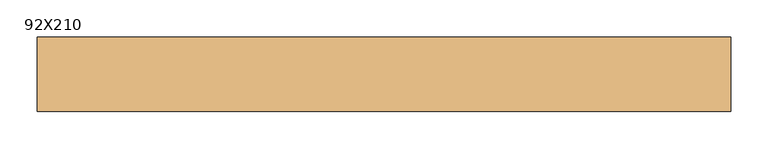
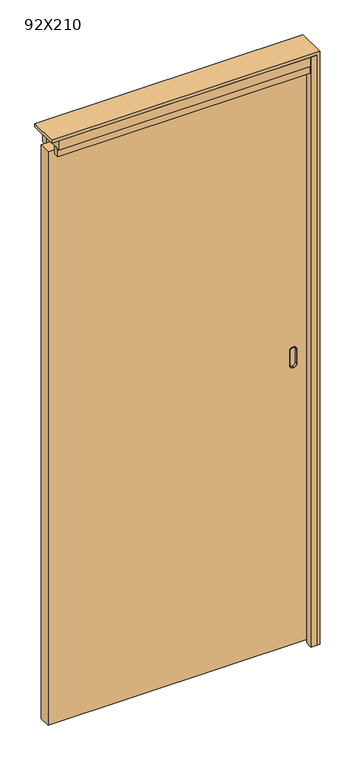
"""IFC4 building model written with IfcOpenShell, lengths in millimetres: door geometry, 92X210."""

from ifc_helpers import new_model, si_unit, point, frame, frame_2d, origin, origin_with_axes, place, context, project, spatial, polyline, circle_curve, trimmed, segment, composite_curve, outline, extrude, source, transform, mapped, element, save
from ifc_brep_helpers import plane_surface, cylinder_surface, revolved_surface, advanced_brep


def door_92x210_3dcc487c(model_context):
    return source(origin(), model_context, "Body", "SolidModel", [
        advanced_brep(
        [(394.5, -12.0, 1095.5), (395.5, -12.0, 1095.5), (406.5, -12.0, 1084.5), (406.5, -12.0, 1033.5), (395.5, -12.0, 1022.5), (394.5, -12.0, 1022.5), (383.5, -12.0, 1033.5), (383.5, -12.0, 1084.5), (394.5, -22.0, 1021.5), (395.5, -22.0, 1021.5), (407.5, -22.0, 1033.5), (407.5, -22.0, 1084.5), (395.5, -22.0, 1096.5), (394.5, -22.0, 1096.5), (382.5, -22.0, 1084.5), (382.5, -22.0, 1033.5), (394.5, -22.0, 1094.5), (395.5, -22.0, 1094.5), (405.5, -22.0, 1084.5), (405.5, -22.0, 1033.5), (395.5, -22.0, 1023.5), (394.5, -22.0, 1023.5), (384.5, -22.0, 1033.5), (384.5, -22.0, 1084.5), (383.5, -20.0, 1084.5), (394.5, -20.0, 1095.5), (383.5, -20.0, 1033.5), (394.5, -20.0, 1022.5), (395.5, -20.0, 1022.5), (406.5, -20.0, 1033.5), (406.5, -20.0, 1084.5), (395.5, -20.0, 1095.5), (394.5, -20.0, 1021.5), (382.5, -20.0, 1033.5), (382.5, -20.0, 1084.5), (394.5, -20.0, 1096.5), (395.5, -20.0, 1096.5), (407.5, -20.0, 1084.5), (407.5, -20.0, 1033.5), (395.5, -20.0, 1021.5), (394.5, -13.0, 1094.5), (384.5, -13.0, 1084.5), (384.5, -13.0, 1033.5), (394.5, -13.0, 1023.5), (395.5, -13.0, 1023.5), (405.5, -13.0, 1033.5), (405.5, -13.0, 1084.5), (395.5, -13.0, 1094.5)],
        [
            (0, 1),
            (1, 2, circle_curve(frame((395.5, -12.0, 1084.5), z_axis=(0.0, 1.0, 0.0), x_axis=(-1.0, 0.0, 0.0)), 11.0)),
            (2, 3),
            (3, 4, circle_curve(frame((395.5, -12.0, 1033.5), z_axis=(0.0, 1.0, 0.0), x_axis=(-1.0, 0.0, 0.0)), 11.0)),
            (4, 5),
            (5, 6, circle_curve(frame((394.5, -12.0, 1033.5), z_axis=(0.0, 1.0, 0.0), x_axis=(-1.0, 0.0, 0.0)), 11.0)),
            (6, 7),
            (7, 0, circle_curve(frame((394.5, -12.0, 1084.5), z_axis=(0.0, 1.0, 0.0), x_axis=(-1.0, 0.0, 0.0)), 11.0)),
            (8, 9),
            (9, 10, circle_curve(frame((395.5, -22.0, 1033.5), z_axis=(0.0, -1.0, 0.0), x_axis=(-1.0, 0.0, 0.0)), 12.0)),
            (10, 11),
            (11, 12, circle_curve(frame((395.5, -22.0, 1084.5), z_axis=(0.0, -1.0, 0.0), x_axis=(-1.0, 0.0, 0.0)), 12.0)),
            (12, 13),
            (13, 14, circle_curve(frame((394.5, -22.0, 1084.5), z_axis=(0.0, -1.0, 0.0), x_axis=(-1.0, 0.0, 0.0)), 12.0)),
            (14, 15),
            (15, 8, circle_curve(frame((394.5, -22.0, 1033.5), z_axis=(0.0, -1.0, 0.0), x_axis=(-1.0, 0.0, 0.0)), 12.0)),
            (16, 17),
            (17, 18, circle_curve(frame((395.5, -22.0, 1084.5), z_axis=(0.0, 1.0, 0.0), x_axis=(-1.0, 0.0, 0.0)), 10.0)),
            (18, 19),
            (19, 20, circle_curve(frame((395.5, -22.0, 1033.5), z_axis=(0.0, 1.0, 0.0), x_axis=(-1.0, 0.0, 0.0)), 10.0)),
            (20, 21),
            (21, 22, circle_curve(frame((394.5, -22.0, 1033.5), z_axis=(0.0, 1.0, 0.0), x_axis=(-1.0, 0.0, 0.0)), 10.0)),
            (22, 23),
            (23, 16, circle_curve(frame((394.5, -22.0, 1084.5), z_axis=(0.0, 1.0, 0.0), x_axis=(-1.0, 0.0, 0.0)), 10.0)),
            (7, 24),
            (24, 25, circle_curve(frame((394.5, -20.0, 1084.5), z_axis=(0.0, 1.0, 0.0), x_axis=(-1.0, 0.0, 0.0)), 11.0)),
            (25, 0),
            (6, 26),
            (26, 24),
            (5, 27),
            (27, 26, circle_curve(frame((394.5, -20.0, 1033.5), z_axis=(0.0, 1.0, 0.0), x_axis=(-1.0, 0.0, 0.0)), 11.0)),
            (4, 28),
            (28, 27),
            (3, 29),
            (29, 28, circle_curve(frame((395.5, -20.0, 1033.5), z_axis=(0.0, 1.0, 0.0), x_axis=(-1.0, 0.0, 0.0)), 11.0)),
            (2, 30),
            (30, 29),
            (1, 31),
            (31, 30, circle_curve(frame((395.5, -20.0, 1084.5), z_axis=(0.0, 1.0, 0.0), x_axis=(-1.0, 0.0, 0.0)), 11.0)),
            (25, 31),
            (32, 33, circle_curve(frame((394.5, -20.0, 1033.5), z_axis=(0.0, 1.0, 0.0), x_axis=(-1.0, 0.0, 0.0)), 12.0)),
            (33, 34),
            (34, 35, circle_curve(frame((394.5, -20.0, 1084.5), z_axis=(0.0, 1.0, 0.0), x_axis=(-1.0, 0.0, 0.0)), 12.0)),
            (35, 36),
            (36, 37, circle_curve(frame((395.5, -20.0, 1084.5), z_axis=(0.0, 1.0, 0.0), x_axis=(-1.0, 0.0, 0.0)), 12.0)),
            (37, 38),
            (38, 39, circle_curve(frame((395.5, -20.0, 1033.5), z_axis=(0.0, 1.0, 0.0), x_axis=(-1.0, 0.0, 0.0)), 12.0)),
            (39, 32),
            (39, 9),
            (8, 32),
            (38, 10),
            (37, 11),
            (36, 12),
            (35, 13),
            (34, 14),
            (33, 15),
            (40, 41, circle_curve(frame((394.5, -13.0, 1084.5), z_axis=(0.0, -1.0, 0.0), x_axis=(-1.0, 0.0, 0.0)), 10.0)),
            (41, 42),
            (42, 43, circle_curve(frame((394.5, -13.0, 1033.5), z_axis=(0.0, -1.0, 0.0), x_axis=(-1.0, 0.0, 0.0)), 10.0)),
            (43, 44),
            (44, 45, circle_curve(frame((395.5, -13.0, 1033.5), z_axis=(0.0, -1.0, 0.0), x_axis=(-1.0, 0.0, 0.0)), 10.0)),
            (45, 46),
            (46, 47, circle_curve(frame((395.5, -13.0, 1084.5), z_axis=(0.0, -1.0, 0.0), x_axis=(-1.0, 0.0, 0.0)), 10.0)),
            (47, 40),
            (40, 16),
            (23, 41),
            (22, 42),
            (21, 43),
            (20, 44),
            (19, 45),
            (18, 46),
            (17, 47),
        ],
        [
            plane_surface(frame((383.5, -12.0, 1084.5), z_axis=(0.0, 1.0, 0.0), x_axis=(0.0, 0.0, -1.0))),
            plane_surface(frame((383.5, -22.0, 1084.5), z_axis=(0.0, -1.0, 0.0), x_axis=(0.0, 0.0, 1.0))),
            cylinder_surface(frame((394.5, -22.0, 1084.5), z_axis=(0.0, 1.0, 0.0), x_axis=(-1.0, 0.0, 0.0)), 11.0),
            plane_surface(frame((383.5, -12.0, 1084.5), z_axis=(-1.0, 0.0, 0.0), x_axis=(0.0, -1.0, 0.0))),
            cylinder_surface(frame((394.5, -22.0, 1033.5), z_axis=(0.0, 1.0, 0.0), x_axis=(-1.0, 0.0, 0.0)), 11.0),
            plane_surface(frame((394.5, -12.0, 1022.5), z_axis=(0.0, 0.0, -1.0), x_axis=(0.0, -1.0, 0.0))),
            cylinder_surface(frame((395.5, -22.0, 1033.5), z_axis=(0.0, 1.0, 0.0), x_axis=(-1.0, 0.0, 0.0)), 11.0),
            plane_surface(frame((406.5, -12.0, 1033.5), z_axis=(1.0, 0.0, 0.0), x_axis=(0.0, -1.0, 0.0))),
            cylinder_surface(frame((395.5, -22.0, 1084.5), z_axis=(0.0, 1.0, 0.0), x_axis=(-1.0, 0.0, 0.0)), 11.0),
            plane_surface(frame((395.5, -12.0, 1095.5), z_axis=(0.0, 0.0, 1.0), x_axis=(0.0, -1.0, 0.0))),
            plane_surface(frame((407.5, -20.0, 1021.5), z_axis=(0.0, 1.0, 0.0), x_axis=(1.0, 0.0, 0.0))),
            plane_surface(frame((394.5, -20.0, 1021.5), z_axis=(0.0, 0.0, -1.0), x_axis=(0.0, -1.0, 0.0))),
            cylinder_surface(frame((395.5, -22.0, 1033.5), z_axis=(0.0, 1.0, 0.0), x_axis=(-1.0, 0.0, 0.0)), 12.0),
            plane_surface(frame((407.5, -20.0, 1033.5), z_axis=(1.0, 0.0, 0.0), x_axis=(0.0, -1.0, 0.0))),
            cylinder_surface(frame((395.5, -22.0, 1084.5), z_axis=(0.0, 1.0, 0.0), x_axis=(-1.0, 0.0, 0.0)), 12.0),
            plane_surface(frame((395.5, -20.0, 1096.5), z_axis=(0.0, 0.0, 1.0), x_axis=(0.0, -1.0, 0.0))),
            cylinder_surface(frame((394.5, -22.0, 1084.5), z_axis=(0.0, 1.0, 0.0), x_axis=(-1.0, 0.0, 0.0)), 12.0),
            plane_surface(frame((382.5, -20.0, 1084.5), z_axis=(-1.0, 0.0, 0.0), x_axis=(0.0, -1.0, 0.0))),
            cylinder_surface(frame((394.5, -22.0, 1033.5), z_axis=(0.0, 1.0, 0.0), x_axis=(-1.0, 0.0, 0.0)), 12.0),
            plane_surface(frame((384.5, -13.0, 1084.5), z_axis=(0.0, -1.0, 0.0), x_axis=(0.0, 0.0, -1.0))),
            revolved_surface(polyline([(384.5, -13.0, 1084.5), (384.5, -22.0, 1084.5)]), (394.5, -22.0, 1084.5), (0.0, 1.0, 0.0)),
            plane_surface(frame((384.5, -13.0, 1084.5), z_axis=(1.0, 0.0, 0.0), x_axis=(0.0, -1.0, 0.0))),
            revolved_surface(polyline([(384.5, -13.0, 1033.5), (384.5, -22.0, 1033.5)]), (394.5, -22.0, 1033.5), (0.0, 1.0, 0.0)),
            plane_surface(frame((394.5, -13.0, 1023.5), z_axis=(0.0, 0.0, 1.0), x_axis=(0.0, -1.0, 0.0))),
            revolved_surface(polyline([(385.5, -13.0, 1033.5), (385.5, -22.0, 1033.5)]), (395.5, -22.0, 1033.5), (0.0, 1.0, 0.0)),
            plane_surface(frame((405.5, -13.0, 1033.5), z_axis=(-1.0, 0.0, 0.0), x_axis=(0.0, -1.0, 0.0))),
            revolved_surface(polyline([(385.5, -13.0, 1084.5), (385.5, -22.0, 1084.5)]), (395.5, -22.0, 1084.5), (0.0, 1.0, 0.0)),
            plane_surface(frame((395.5, -13.0, 1094.5), z_axis=(0.0, 0.0, -1.0), x_axis=(0.0, -1.0, 0.0))),
        ],
        [
            (0, [[1, 2, 3, 4, 5, 6, 7, 8]]),
            (1, [[9, 10, 11, 12, 13, 14, 15, 16], [17, 18, 19, 20, 21, 22, 23, 24]]),
            (2, [[25, 26, 27, -8]]),
            (3, [[28, 29, -25, -7]]),
            (4, [[30, 31, -28, -6]]),
            (5, [[32, 33, -30, -5]]),
            (6, [[34, 35, -32, -4]]),
            (7, [[36, 37, -34, -3]]),
            (8, [[38, 39, -36, -2]]),
            (9, [[-27, 40, -38, -1]]),
            (10, [[41, 42, 43, 44, 45, 46, 47, 48], [-29, -31, -33, -35, -37, -39, -40, -26]]),
            (11, [[49, -9, 50, -48]]),
            (12, [[51, -10, -49, -47]]),
            (13, [[52, -11, -51, -46]]),
            (14, [[53, -12, -52, -45]]),
            (15, [[54, -13, -53, -44]]),
            (16, [[55, -14, -54, -43]]),
            (17, [[56, -15, -55, -42]]),
            (18, [[-50, -16, -56, -41]]),
            (19, [[57, 58, 59, 60, 61, 62, 63, 64]]),
            (20, [[65, -24, 66, -57]]),
            (21, [[-66, -23, 67, -58]]),
            (22, [[-67, -22, 68, -59]]),
            (23, [[-68, -21, 69, -60]]),
            (24, [[-69, -20, 70, -61]]),
            (25, [[-70, -19, 71, -62]]),
            (26, [[-71, -18, 72, -63]]),
            (27, [[-72, -17, -65, -64]]),
        ],
    ),
        advanced_brep(
        [(394.5, 12.0, 1095.5), (383.5, 12.0, 1084.5), (383.5, 12.0, 1033.5), (394.5, 12.0, 1022.5), (395.5, 12.0, 1022.5), (406.5, 12.0, 1033.5), (406.5, 12.0, 1084.5), (395.5, 12.0, 1095.5), (394.5, 22.0, 1021.5), (382.5, 22.0, 1033.5), (382.5, 22.0, 1084.5), (394.5, 22.0, 1096.5), (395.5, 22.0, 1096.5), (407.5, 22.0, 1084.5), (407.5, 22.0, 1033.5), (395.5, 22.0, 1021.5), (394.5, 22.0, 1094.5), (384.5, 22.0, 1084.5), (384.5, 22.0, 1033.5), (394.5, 22.0, 1023.5), (395.5, 22.0, 1023.5), (405.5, 22.0, 1033.5), (405.5, 22.0, 1084.5), (395.5, 22.0, 1094.5), (394.5, 20.0, 1095.5), (383.5, 20.0, 1084.5), (383.5, 20.0, 1033.5), (394.5, 20.0, 1022.5), (395.5, 20.0, 1022.5), (406.5, 20.0, 1033.5), (406.5, 20.0, 1084.5), (395.5, 20.0, 1095.5), (394.5, 20.0, 1021.5), (395.5, 20.0, 1021.5), (407.5, 20.0, 1033.5), (407.5, 20.0, 1084.5), (395.5, 20.0, 1096.5), (394.5, 20.0, 1096.5), (382.5, 20.0, 1084.5), (382.5, 20.0, 1033.5), (394.5, 13.0, 1094.5), (395.5, 13.0, 1094.5), (405.5, 13.0, 1084.5), (405.5, 13.0, 1033.5), (395.5, 13.0, 1023.5), (394.5, 13.0, 1023.5), (384.5, 13.0, 1033.5), (384.5, 13.0, 1084.5)],
        [
            (0, 1, circle_curve(frame((394.5, 12.0, 1084.5), z_axis=(0.0, -1.0, 0.0), x_axis=(-1.0, 0.0, 0.0)), 11.0)),
            (1, 2),
            (2, 3, circle_curve(frame((394.5, 12.0, 1033.5), z_axis=(0.0, -1.0, 0.0), x_axis=(-1.0, 0.0, 0.0)), 11.0)),
            (3, 4),
            (4, 5, circle_curve(frame((395.5, 12.0, 1033.5), z_axis=(0.0, -1.0, 0.0), x_axis=(-1.0, 0.0, 0.0)), 11.0)),
            (5, 6),
            (6, 7, circle_curve(frame((395.5, 12.0, 1084.5), z_axis=(0.0, -1.0, 0.0), x_axis=(-1.0, 0.0, 0.0)), 11.0)),
            (7, 0),
            (8, 9, circle_curve(frame((394.5, 22.0, 1033.5), z_axis=(0.0, 1.0, 0.0), x_axis=(-1.0, 0.0, 0.0)), 12.0)),
            (9, 10),
            (10, 11, circle_curve(frame((394.5, 22.0, 1084.5), z_axis=(0.0, 1.0, 0.0), x_axis=(-1.0, 0.0, 0.0)), 12.0)),
            (11, 12),
            (12, 13, circle_curve(frame((395.5, 22.0, 1084.5), z_axis=(0.0, 1.0, 0.0), x_axis=(-1.0, 0.0, 0.0)), 12.0)),
            (13, 14),
            (14, 15, circle_curve(frame((395.5, 22.0, 1033.5), z_axis=(0.0, 1.0, 0.0), x_axis=(-1.0, 0.0, 0.0)), 12.0)),
            (15, 8),
            (16, 17, circle_curve(frame((394.5, 22.0, 1084.5), z_axis=(0.0, -1.0, 0.0), x_axis=(-1.0, 0.0, 0.0)), 10.0)),
            (17, 18),
            (18, 19, circle_curve(frame((394.5, 22.0, 1033.5), z_axis=(0.0, -1.0, 0.0), x_axis=(-1.0, 0.0, 0.0)), 10.0)),
            (19, 20),
            (20, 21, circle_curve(frame((395.5, 22.0, 1033.5), z_axis=(0.0, -1.0, 0.0), x_axis=(-1.0, 0.0, 0.0)), 10.0)),
            (21, 22),
            (22, 23, circle_curve(frame((395.5, 22.0, 1084.5), z_axis=(0.0, -1.0, 0.0), x_axis=(-1.0, 0.0, 0.0)), 10.0)),
            (23, 16),
            (0, 24),
            (24, 25, circle_curve(frame((394.5, 20.0, 1084.5), z_axis=(0.0, -1.0, 0.0), x_axis=(-1.0, 0.0, 0.0)), 11.0)),
            (25, 1),
            (25, 26),
            (26, 2),
            (26, 27, circle_curve(frame((394.5, 20.0, 1033.5), z_axis=(0.0, -1.0, 0.0), x_axis=(-1.0, 0.0, 0.0)), 11.0)),
            (27, 3),
            (27, 28),
            (28, 4),
            (28, 29, circle_curve(frame((395.5, 20.0, 1033.5), z_axis=(0.0, -1.0, 0.0), x_axis=(-1.0, 0.0, 0.0)), 11.0)),
            (29, 5),
            (29, 30),
            (30, 6),
            (30, 31, circle_curve(frame((395.5, 20.0, 1084.5), z_axis=(0.0, -1.0, 0.0), x_axis=(-1.0, 0.0, 0.0)), 11.0)),
            (31, 7),
            (31, 24),
            (32, 33),
            (33, 34, circle_curve(frame((395.5, 20.0, 1033.5), z_axis=(0.0, -1.0, 0.0), x_axis=(-1.0, 0.0, 0.0)), 12.0)),
            (34, 35),
            (35, 36, circle_curve(frame((395.5, 20.0, 1084.5), z_axis=(0.0, -1.0, 0.0), x_axis=(-1.0, 0.0, 0.0)), 12.0)),
            (36, 37),
            (37, 38, circle_curve(frame((394.5, 20.0, 1084.5), z_axis=(0.0, -1.0, 0.0), x_axis=(-1.0, 0.0, 0.0)), 12.0)),
            (38, 39),
            (39, 32, circle_curve(frame((394.5, 20.0, 1033.5), z_axis=(0.0, -1.0, 0.0), x_axis=(-1.0, 0.0, 0.0)), 12.0)),
            (32, 8),
            (15, 33),
            (14, 34),
            (13, 35),
            (12, 36),
            (11, 37),
            (10, 38),
            (9, 39),
            (40, 41),
            (41, 42, circle_curve(frame((395.5, 13.0, 1084.5), z_axis=(0.0, 1.0, 0.0), x_axis=(-1.0, 0.0, 0.0)), 10.0)),
            (42, 43),
            (43, 44, circle_curve(frame((395.5, 13.0, 1033.5), z_axis=(0.0, 1.0, 0.0), x_axis=(-1.0, 0.0, 0.0)), 10.0)),
            (44, 45),
            (45, 46, circle_curve(frame((394.5, 13.0, 1033.5), z_axis=(0.0, 1.0, 0.0), x_axis=(-1.0, 0.0, 0.0)), 10.0)),
            (46, 47),
            (47, 40, circle_curve(frame((394.5, 13.0, 1084.5), z_axis=(0.0, 1.0, 0.0), x_axis=(-1.0, 0.0, 0.0)), 10.0)),
            (47, 17),
            (16, 40),
            (46, 18),
            (45, 19),
            (44, 20),
            (43, 21),
            (42, 22),
            (41, 23),
        ],
        [
            plane_surface(frame((383.5, 12.0, 1084.5), z_axis=(0.0, -1.0, 0.0), x_axis=(0.0, 0.0, -1.0))),
            plane_surface(frame((383.5, 22.0, 1084.5), z_axis=(0.0, 1.0, 0.0), x_axis=(0.0, 0.0, 1.0))),
            cylinder_surface(frame((394.5, 22.0, 1084.5), z_axis=(0.0, -1.0, 0.0), x_axis=(-1.0, 0.0, 0.0)), 11.0),
            plane_surface(frame((383.5, 12.0, 1084.5), z_axis=(-1.0, 0.0, 0.0), x_axis=(0.0, 1.0, 0.0))),
            cylinder_surface(frame((394.5, 22.0, 1033.5), z_axis=(0.0, -1.0, 0.0), x_axis=(-1.0, 0.0, 0.0)), 11.0),
            plane_surface(frame((394.5, 12.0, 1022.5), z_axis=(0.0, 0.0, -1.0), x_axis=(0.0, 1.0, 0.0))),
            cylinder_surface(frame((395.5, 22.0, 1033.5), z_axis=(0.0, -1.0, 0.0), x_axis=(-1.0, 0.0, 0.0)), 11.0),
            plane_surface(frame((406.5, 12.0, 1033.5), z_axis=(1.0, 0.0, 0.0), x_axis=(0.0, 1.0, 0.0))),
            cylinder_surface(frame((395.5, 22.0, 1084.5), z_axis=(0.0, -1.0, 0.0), x_axis=(-1.0, 0.0, 0.0)), 11.0),
            plane_surface(frame((395.5, 12.0, 1095.5), z_axis=(0.0, 0.0, 1.0), x_axis=(0.0, 1.0, 0.0))),
            plane_surface(frame((407.5, 20.0, 1021.5), z_axis=(0.0, -1.0, 0.0), x_axis=(1.0, 0.0, 0.0))),
            plane_surface(frame((394.5, 20.0, 1021.5), z_axis=(0.0, 0.0, -1.0), x_axis=(0.0, 1.0, 0.0))),
            cylinder_surface(frame((395.5, 22.0, 1033.5), z_axis=(0.0, -1.0, 0.0), x_axis=(-1.0, 0.0, 0.0)), 12.0),
            plane_surface(frame((407.5, 20.0, 1033.5), z_axis=(1.0, 0.0, 0.0), x_axis=(0.0, 1.0, 0.0))),
            cylinder_surface(frame((395.5, 22.0, 1084.5), z_axis=(0.0, -1.0, 0.0), x_axis=(-1.0, 0.0, 0.0)), 12.0),
            plane_surface(frame((395.5, 20.0, 1096.5), z_axis=(0.0, 0.0, 1.0), x_axis=(0.0, 1.0, 0.0))),
            cylinder_surface(frame((394.5, 22.0, 1084.5), z_axis=(0.0, -1.0, 0.0), x_axis=(-1.0, 0.0, 0.0)), 12.0),
            plane_surface(frame((382.5, 20.0, 1084.5), z_axis=(-1.0, 0.0, 0.0), x_axis=(0.0, 1.0, 0.0))),
            cylinder_surface(frame((394.5, 22.0, 1033.5), z_axis=(0.0, -1.0, 0.0), x_axis=(-1.0, 0.0, 0.0)), 12.0),
            plane_surface(frame((384.5, 13.0, 1084.5), z_axis=(0.0, 1.0, 0.0), x_axis=(0.0, 0.0, -1.0))),
            revolved_surface(polyline([(384.5, 13.0, 1084.5), (384.5, 22.0, 1084.5)]), (394.5, 22.0, 1084.5), (0.0, -1.0, 0.0)),
            plane_surface(frame((384.5, 13.0, 1084.5), z_axis=(1.0, 0.0, 0.0), x_axis=(0.0, 1.0, 0.0))),
            revolved_surface(polyline([(384.5, 13.0, 1033.5), (384.5, 22.0, 1033.5)]), (394.5, 22.0, 1033.5), (0.0, -1.0, 0.0)),
            plane_surface(frame((394.5, 13.0, 1023.5), z_axis=(0.0, 0.0, 1.0), x_axis=(0.0, 1.0, 0.0))),
            revolved_surface(polyline([(385.5, 13.0, 1033.5), (385.5, 22.0, 1033.5)]), (395.5, 22.0, 1033.5), (0.0, -1.0, 0.0)),
            plane_surface(frame((405.5, 13.0, 1033.5), z_axis=(-1.0, 0.0, 0.0), x_axis=(0.0, 1.0, 0.0))),
            revolved_surface(polyline([(385.5, 13.0, 1084.5), (385.5, 22.0, 1084.5)]), (395.5, 22.0, 1084.5), (0.0, -1.0, 0.0)),
            plane_surface(frame((395.5, 13.0, 1094.5), z_axis=(0.0, 0.0, -1.0), x_axis=(0.0, 1.0, 0.0))),
        ],
        [
            (0, [[1, 2, 3, 4, 5, 6, 7, 8]]),
            (1, [[9, 10, 11, 12, 13, 14, 15, 16], [17, 18, 19, 20, 21, 22, 23, 24]]),
            (2, [[-1, 25, 26, 27]]),
            (3, [[-2, -27, 28, 29]]),
            (4, [[-3, -29, 30, 31]]),
            (5, [[-4, -31, 32, 33]]),
            (6, [[-5, -33, 34, 35]]),
            (7, [[-6, -35, 36, 37]]),
            (8, [[-7, -37, 38, 39]]),
            (9, [[-8, -39, 40, -25]]),
            (10, [[41, 42, 43, 44, 45, 46, 47, 48], [-26, -40, -38, -36, -34, -32, -30, -28]]),
            (11, [[-41, 49, -16, 50]]),
            (12, [[-42, -50, -15, 51]]),
            (13, [[-43, -51, -14, 52]]),
            (14, [[-44, -52, -13, 53]]),
            (15, [[-45, -53, -12, 54]]),
            (16, [[-46, -54, -11, 55]]),
            (17, [[-47, -55, -10, 56]]),
            (18, [[-48, -56, -9, -49]]),
            (19, [[57, 58, 59, 60, 61, 62, 63, 64]]),
            (20, [[-64, 65, -17, 66]]),
            (21, [[-63, 67, -18, -65]]),
            (22, [[-62, 68, -19, -67]]),
            (23, [[-61, 69, -20, -68]]),
            (24, [[-60, 70, -21, -69]]),
            (25, [[-59, 71, -22, -70]]),
            (26, [[-58, 72, -23, -71]]),
            (27, [[-57, -66, -24, -72]]),
        ],
    ),
        extrude(outline(polyline([(2109.0, -455.0), (9.0, -455.0), (9.0, 445.0), (2109.0, 445.0), (2109.0, -455.0)]), holes=[composite_curve([segment(trimmed(circle_curve(frame_2d((1085.0, 394.0)), 10.0), [point((1085.0, 384.0))], [point((1095.0, 394.0))], True, "CARTESIAN"), True, "CONTINUOUS"), segment(polyline([(1095.0, 394.0), (1095.0, 396.0)]), True, "CONTINUOUS"), segment(trimmed(circle_curve(frame_2d((1085.0, 396.0)), 10.0), [point((1095.0, 396.0))], [point((1085.0, 406.0))], True, "CARTESIAN"), True, "CONTINUOUS"), segment(polyline([(1085.0, 406.0), (1033.0, 406.0)]), True, "CONTINUOUS"), segment(trimmed(circle_curve(frame_2d((1033.0, 396.0)), 10.0), [point((1033.0, 406.0))], [point((1023.0, 396.0))], True, "CARTESIAN"), True, "CONTINUOUS"), segment(polyline([(1023.0, 396.0), (1023.0, 394.0)]), True, "CONTINUOUS"), segment(trimmed(circle_curve(frame_2d((1033.0, 394.0)), 10.0), [point((1023.0, 394.0))], [point((1033.0, 384.0))], True, "CARTESIAN"), True, "CONTINUOUS"), segment(polyline([(1033.0, 384.0), (1085.0, 384.0)]), True, "CONTINUOUS")], self_intersect=False)]), frame((0.0, -20.0, 0.0), z_axis=(0.0, 1.0, 0.0), x_axis=(0.0, 0.0, 1.0)), (0.0, 0.0, 1.0), 40.0),
        extrude(outline(polyline([(460.0, -50.0), (439.0, -50.0), (439.0, -25.0), (445.0, -25.0), (445.0, 25.0), (439.0, 25.0), (439.0, 50.0), (460.0, 50.0), (460.0, -50.0)])), origin_with_axes(), (0.0, 0.0, 1.0), 2160.0),
        extrude(outline(polyline([(2170.0, -460.0), (2160.0, -460.0), (2160.0, 460.0), (0.0, 460.0), (0.0, 470.0), (2170.0, 470.0), (2170.0, -460.0)])), frame((0.0, -50.0, 0.0), z_axis=(0.0, 1.0, 0.0), x_axis=(0.0, 0.0, 1.0)), (0.0, 0.0, 1.0), 100.0),
        extrude(outline(polyline([(439.0, -25.0), (439.0, -45.0), (-435.0, -45.0), (-435.0, -25.0), (439.0, -25.0)])), frame((0.0, 0.0, 2098.0), z_axis=(0.0, 0.0, 1.0), x_axis=(1.0, 0.0, 0.0)), (0.0, 0.0, 1.0), 28.0),
        extrude(outline(polyline([(439.0, 45.0), (439.0, 25.0), (-435.0, 25.0), (-435.0, 45.0), (439.0, 45.0)])), frame((0.0, 0.0, 2098.0), z_axis=(0.0, 0.0, 1.0), x_axis=(1.0, 0.0, 0.0)), (0.0, 0.0, 1.0), 28.0),
        extrude(outline(polyline([(439.0, -16.0), (439.0, -50.0), (-435.0, -50.0), (-435.0, -16.0), (439.0, -16.0)])), frame((0.0, 0.0, 2126.0), z_axis=(0.0, 0.0, 1.0), x_axis=(1.0, 0.0, 0.0)), (0.0, 0.0, 1.0), 34.0),
        extrude(outline(polyline([(439.0, 50.0), (439.0, 16.0), (-435.0, 16.0), (-435.0, 50.0), (439.0, 50.0)])), frame((0.0, 0.0, 2126.0), z_axis=(0.0, 0.0, 1.0), x_axis=(1.0, 0.0, 0.0)), (0.0, 0.0, 1.0), 34.0),
    ])


if __name__ == "__main__":
    model = new_model("IFC4")
    model_context = context("Model", 3, world=origin())
    ifc_project = project(units=[si_unit("LENGTHUNIT", "METRE", prefix="MILLI")], contexts=[model_context])
    site = spatial("IfcSite", under=ifc_project)
    building = spatial("IfcBuilding", under=site)
    placement = place(None, origin())
    door_92x210_shape = door_92x210_3dcc487c(model_context)
    element("IfcDoor", 1, ObjectType="92X210", at=placement, inside=building, context=model_context, shape_type="MappedRepresentation", body=[
        mapped(door_92x210_shape, transform((0.0, 0.0, 0.0), x_axis=(1.0, 0.0, 0.0), y_axis=(0.0, 1.0, 0.0), z_axis=(0.0, 0.0, 1.0))),
    ])
    save(model, "model.ifc")
